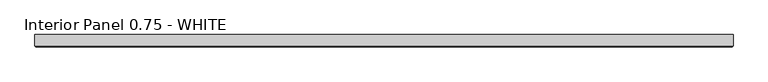
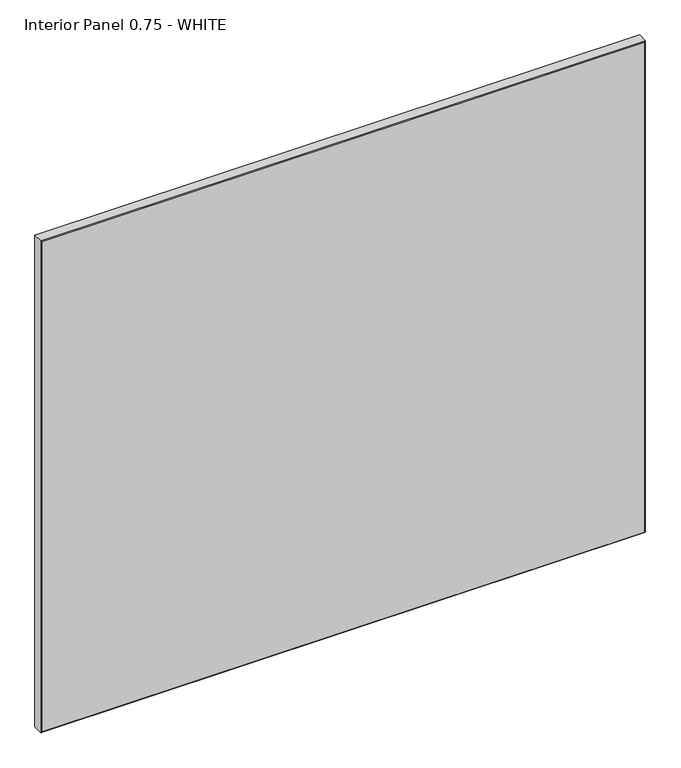
"""IFC4 building model written with IfcOpenShell, lengths in millimetres: proxy geometry, Interior Panel 0.75 - WHITE."""

from ifc_helpers import new_model, si_unit, origin, place, context, project, spatial, faceted_brep, source, transform, mapped, element, save


def interior_panel_0_75_white_0a244e50(model_context):
    return source(origin(), model_context, "Body", "Brep", [
        faceted_brep([(990.6, 3.175, 914.4), (-73.025, 3.175, 914.4), (-73.025, -14.2875, 914.4), (990.6, -14.2875, 914.4), (990.6, 3.175, 0.0), (990.6, -14.2875, 0.0), (-73.025, -14.2875, 0.0), (-73.025, 3.175, 0.0), (-71.4375, -15.875, 912.8125), (-71.4375, -15.875, 1.5875), (989.0125, -15.875, 1.5875), (989.0125, -15.875, 912.8125)], [[[0, 1, 2, 3]], [[4, 5, 6, 7]], [[1, 0, 4, 7]], [[2, 1, 7, 6]], [[8, 9, 10, 11]], [[0, 3, 5, 4]], [[2, 6, 9, 8]], [[5, 3, 11, 10]], [[3, 2, 8, 11]], [[6, 5, 10, 9]]]),
    ])


if __name__ == "__main__":
    model = new_model("IFC4")
    model_context = context("Model", 3, world=origin())
    ifc_project = project(units=[si_unit("LENGTHUNIT", "METRE", prefix="MILLI")], contexts=[model_context])
    site = spatial("IfcSite", under=ifc_project)
    building = spatial("IfcBuilding", under=site)
    placement = place(None, origin())
    interior_panel_0_75_white_shape = interior_panel_0_75_white_0a244e50(model_context)
    element("IfcBuildingElementProxy", 1, Name="Interior Panel 0.75 - WHITE", ObjectType="Interior Panel 0.75 - WHITE", at=placement, inside=building, context=model_context, shape_type="MappedRepresentation", body=[
        mapped(interior_panel_0_75_white_shape, transform((0.0, 0.0, 0.0), x_axis=(1.0, 0.0, 0.0), y_axis=(0.0, 1.0, 0.0), z_axis=(0.0, 0.0, 1.0))),
    ])
    save(model, "model.ifc")
